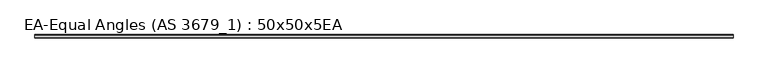
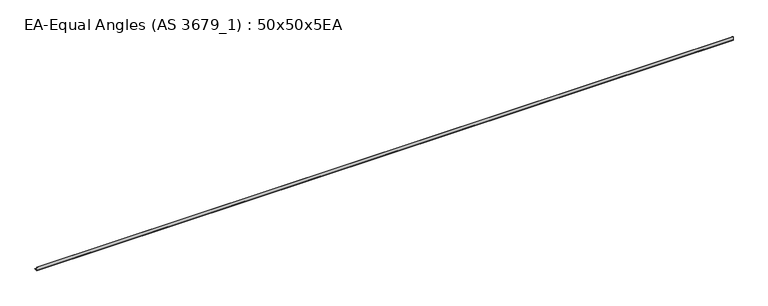
"""IFC4 building model written with IfcOpenShell, lengths in millimetres: member geometry, EA-Equal Angles (AS 3679_1) : 50x50x5EA."""

from ifc_helpers import new_model, si_unit, point, frame, frame_2d, origin, place, context, project, spatial, polyline, circle_curve, trimmed, segment, composite_curve, outline, extrude, source, transform, mapped, element, save


def ea_equal_angles_as_3679_1_50x50x5ea_1694e1cc(model_context):
    return source(origin(), model_context, "Body", "SweptSolid", [
        extrude(outline(composite_curve([segment(polyline([(-13.9, -13.9), (-13.9, 36.1), (-11.9, 36.1)]), True, "CONTINUOUS"), segment(trimmed(circle_curve(frame_2d((-11.9, 33.1)), 3.0), [point((-11.9, 36.1))], [point((-8.9, 33.1))], False, "CARTESIAN"), True, "CONTINUOUS"), segment(polyline([(-8.9, 33.1), (-8.9, -2.9)]), True, "CONTINUOUS"), segment(trimmed(circle_curve(frame_2d((-2.9, -2.9)), 6.0), [point((-8.9, -2.9))], [point((-2.9, -8.9))], True, "CARTESIAN"), True, "CONTINUOUS"), segment(polyline([(-2.9, -8.9), (33.1, -8.9)]), True, "CONTINUOUS"), segment(trimmed(circle_curve(frame_2d((33.1, -11.9)), 3.0), [point((33.1, -8.9))], [point((36.1, -11.9))], False, "CARTESIAN"), True, "CONTINUOUS"), segment(polyline([(36.1, -11.9), (36.1, -13.9), (-13.9, -13.9)]), True, "CONTINUOUS")], self_intersect=False)), frame((-4899.25, 0.0, 0.0), z_axis=(1.0, 0.0, 0.0), x_axis=(0.0, 1.0, 0.0)), (0.0, 0.0, 1.0), 9985.2),
    ])


if __name__ == "__main__":
    model = new_model("IFC4")
    model_context = context("Model", 3, world=origin())
    ifc_project = project(units=[si_unit("LENGTHUNIT", "METRE", prefix="MILLI")], contexts=[model_context])
    site = spatial("IfcSite", under=ifc_project)
    building = spatial("IfcBuilding", under=site)
    placement = place(None, origin())
    ea_equal_angles_as_3679_1_50x50x5ea_shape = ea_equal_angles_as_3679_1_50x50x5ea_1694e1cc(model_context)
    element("IfcMember", 1, ObjectType="EA-Equal Angles (AS 3679_1) : 50x50x5EA", at=placement, inside=building, context=model_context, shape_type="MappedRepresentation", body=[
        mapped(ea_equal_angles_as_3679_1_50x50x5ea_shape, transform((0.0, 0.0, 0.0), x_axis=(1.0, 0.0, 0.0), y_axis=(0.0, 1.0, 0.0), z_axis=(0.0, 0.0, 1.0))),
    ])
    save(model, "model.ifc")
